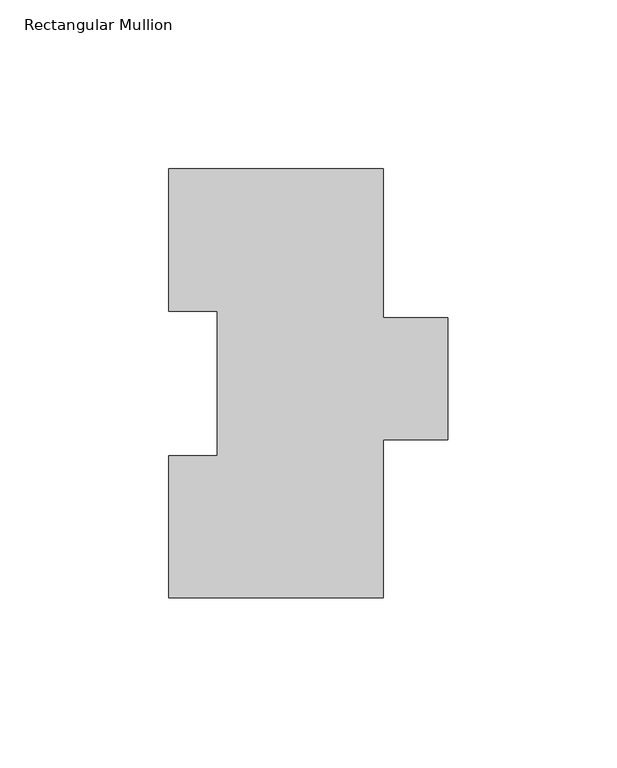
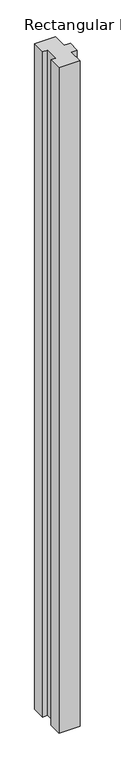
"""IFC4 building model written with IfcOpenShell, lengths in millimetres: member geometry, Rectangular Mullion."""

from ifc_helpers import new_model, si_unit, frame, origin, place, context, project, spatial, polyline, outline, extrude, source, transform, mapped, element, save


def rectangular_mullion_d4dfb6f8(model_context):
    return source(origin(), model_context, "Body", "SweptSolid", [
        extrude(outline(polyline([(31.75, 127.00635), (31.75, 82.9313681), (50.8002713, 82.9313681), (50.8002713, 46.8376), (31.75, 46.8376), (31.75, 0.00635), (-31.7497287, 0.00635), (-31.7497287, 42.08145), (-17.4622287, 42.08145), (-17.4622287, 84.93125), (-31.7502713, 84.93125), (-31.7502713, 127.00635), (31.75, 127.00635)])), frame((0.0, 0.0, -2133.6), z_axis=(0.0, 0.0, 1.0), x_axis=(1.0, 0.0, 0.0)), (0.0, 0.0, 1.0), 2133.6),
    ])


if __name__ == "__main__":
    model = new_model("IFC4")
    model_context = context("Model", 3, world=origin())
    ifc_project = project(units=[si_unit("LENGTHUNIT", "METRE", prefix="MILLI")], contexts=[model_context])
    site = spatial("IfcSite", under=ifc_project)
    building = spatial("IfcBuilding", under=site)
    placement = place(None, origin())
    rectangular_mullion_shape = rectangular_mullion_d4dfb6f8(model_context)
    element("IfcMember", 1, ObjectType="Rectangular Mullion", at=placement, inside=building, context=model_context, shape_type="MappedRepresentation", body=[
        mapped(rectangular_mullion_shape, transform((0.0, 0.0, 0.0), x_axis=(1.0, 0.0, 0.0), y_axis=(0.0, 1.0, 0.0), z_axis=(0.0, 0.0, 1.0))),
    ])
    save(model, "model.ifc")
